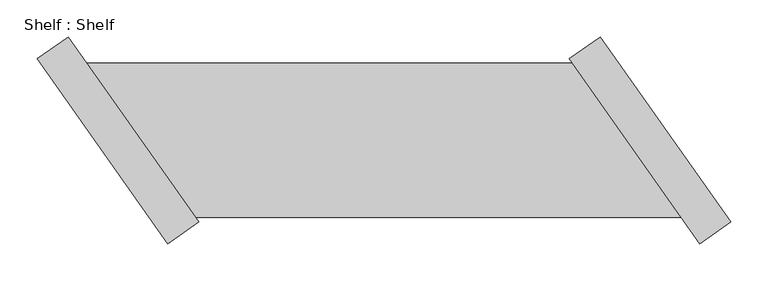
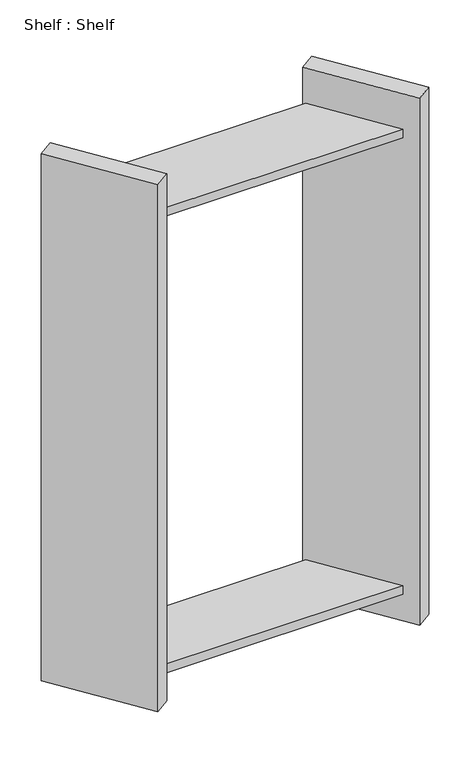
"""IFC4 building model written with IfcOpenShell, lengths in millimetres: proxy geometry, Shelf : Shelf."""

from ifc_helpers import new_model, si_unit, origin, place, context, project, spatial, faceted_brep, source, transform, mapped, element, save


def shelf_shelf_2f508256(model_context):
    return source(origin(), model_context, "Body", "Brep", [
        faceted_brep([(-500.0703323, 103.8139922, 1422.4), (-500.0703323, 103.8139922, 1397.0), (-1154.0213649, 103.8139922, 1397.0), (-1154.0213649, 103.8139922, 1422.4), (-353.7603188, -103.8139922, 1397.0), (-1007.7113514, -103.8139922, 1397.0), (-353.7603188, -103.8139922, 1422.4), (-1007.7113514, -103.8139922, 1422.4), (-462.8656526, 139.207792, 0.0), (-287.2936363, -109.9457893, 0.0), (-328.8192332, -139.207792, 0.0), (-504.3912495, 109.9457893, 0.0), (-287.2936363, -109.9457893, 1524.0), (-328.8192332, -139.207792, 1524.0), (-462.8656526, 139.207792, 1524.0), (-504.3912495, 109.9457893, 1524.0), (-353.7603188, -103.8139922, 76.2), (-500.0703323, 103.8139922, 76.2), (-500.0703323, 103.8139922, 101.6), (-353.7603188, -103.8139922, 101.6), (-1007.7113514, -103.8139922, 76.2), (-1154.0213649, 103.8139922, 76.2), (-1007.7113514, -103.8139922, 101.6), (-1154.0213649, 103.8139922, 101.6), (-1044.9160312, -139.207792, 0.0), (-1220.4880474, 109.9457893, 0.0), (-1178.9624505, 139.207792, 0.0), (-1003.3904343, -109.9457893, 0.0), (-1003.3904343, -109.9457893, 1524.0), (-1044.9160312, -139.207792, 1524.0), (-1178.9624505, 139.207792, 1524.0), (-1220.4880474, 109.9457893, 1524.0)], [[[0, 1, 2, 3]], [[1, 4, 5, 2]], [[4, 6, 7, 5]], [[6, 0, 3, 7]], [[8, 9, 10, 11]], [[10, 9, 12, 13]], [[13, 12, 14, 15]], [[8, 11, 15, 14]], [[11, 10, 13, 15], [1, 0, 6, 4], [16, 17, 18, 19]], [[9, 8, 14, 12]], [[17, 16, 20, 21]], [[16, 19, 22, 20]], [[19, 18, 23, 22]], [[18, 17, 21, 23]], [[24, 25, 26, 27]], [[24, 27, 28, 29]], [[29, 28, 30, 31]], [[26, 25, 31, 30]], [[27, 26, 30, 28], [3, 2, 5, 7], [21, 20, 22, 23]], [[25, 24, 29, 31]]]),
    ])


if __name__ == "__main__":
    model = new_model("IFC4")
    model_context = context("Model", 3, world=origin())
    ifc_project = project(units=[si_unit("LENGTHUNIT", "METRE", prefix="MILLI")], contexts=[model_context])
    site = spatial("IfcSite", under=ifc_project)
    building = spatial("IfcBuilding", under=site)
    placement = place(None, origin())
    shelf_shelf_shape = shelf_shelf_2f508256(model_context)
    element("IfcBuildingElementProxy", 1, Name="Shelf : Shelf", ObjectType="Shelf : Shelf", at=placement, inside=building, context=model_context, shape_type="MappedRepresentation", body=[
        mapped(shelf_shelf_shape, transform((0.0, 0.0, 0.0), x_axis=(1.0, 0.0, 0.0), y_axis=(0.0, 1.0, 0.0), z_axis=(0.0, 0.0, 1.0))),
    ])
    save(model, "model.ifc")
